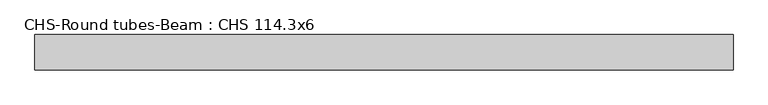
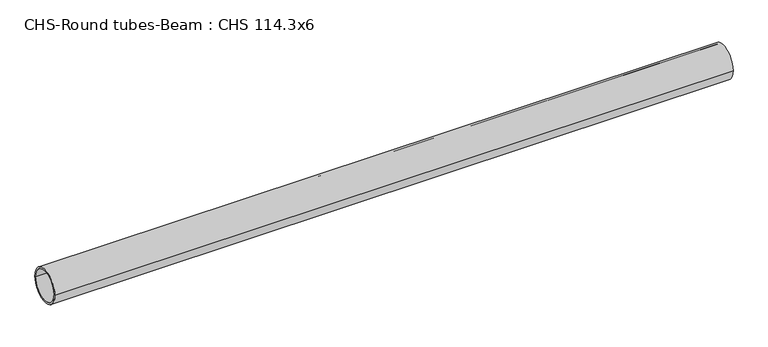
"""IFC4 building model written with IfcOpenShell, lengths in millimetres: beam geometry, CHS-Round tubes-Beam : CHS 114.3x6."""

import ifcopenshell
import ifcopenshell.guid

model = None  # the IFC model being written
_history = None  # IfcOwnerHistory: only IFC2X3 demands one
_inside = {}  # id of a spatial element -> (the spatial element, [elements in it])
_under = {}  # id of a project, library or spatial element -> (it, [spatial elements below it])
_declared = {}  # id of a project -> (the project, [libraries it declares])
_typed = {}  # id of a type object -> (the type object, [elements of that type])
_made_of = {}  # id of a material, layer set ... -> (it, [elements and type objects made of it])


def new_model(schema):
    """Start an empty IFC model of exactly this schema.

    Asked for "IFC4X3", IfcOpenShell would pick the latest addendum, in which some entities
    have other attributes; the version numbers below select the first issue.
    IFC2X3 requires an IfcOwnerHistory on every rooted entity: one is made here for all.
    """
    global model, _history
    if schema == "IFC4X3":
        model = ifcopenshell.file(schema_version=(4, 3, 0, 0))
    else:
        model = ifcopenshell.file(schema=schema)
    _inside.clear()
    _under.clear()
    _declared.clear()
    _typed.clear()
    _made_of.clear()
    _history = None
    if model.schema == "IFC2X3":
        org = make("IfcOrganization", Name="unknown")
        user = make(
            "IfcPersonAndOrganization",
            ThePerson=make("IfcPerson", FamilyName="unknown"),
            TheOrganization=org,
        )
        app = make(
            "IfcApplication",
            ApplicationDeveloper=org,
            Version="unknown",
            ApplicationFullName="unknown",
            ApplicationIdentifier="unknown",
        )
        _history = make(
            "IfcOwnerHistory",
            OwningUser=user,
            OwningApplication=app,
            ChangeAction="ADDED",
            CreationDate=0,
        )
    return model


def make(cls, **values):
    """One entity of the class cls with the attributes given. An attribute that is None is left unset."""
    return model.create_entity(
        cls, **{name: value for name, value in values.items() if value is not None}
    )


def rooted(cls, **values):
    """An entity with a GlobalId (a new one), such as an element, a storey or a relation."""
    return make(cls, GlobalId=ifcopenshell.guid.new(), OwnerHistory=_history, **values)


def si_unit(unit_type, name, prefix=None):
    """IfcSIUnit, for example si_unit("LENGTHUNIT", "METRE", prefix="MILLI")."""
    return make("IfcSIUnit", UnitType=unit_type, Prefix=prefix, Name=name)


def assignment(units):
    """IfcUnitAssignment: the units of a project."""
    return None if units is None else make("IfcUnitAssignment", Units=units)


def point(xyz):
    """IfcCartesianPoint."""
    return None if xyz is None else make("IfcCartesianPoint", Coordinates=xyz)


def direction(xyz):
    """IfcDirection."""
    return None if xyz is None else make("IfcDirection", DirectionRatios=xyz)


def frame(location, z_axis=None, x_axis=None):
    """IfcAxis2Placement3D, a coordinate frame: its origin and axes. An axis left out is left unset."""
    return make(
        "IfcAxis2Placement3D",
        Location=point(location),
        Axis=direction(z_axis),
        RefDirection=direction(x_axis),
    )


def frame_2d(location, x_axis=None):
    """IfcAxis2Placement2D, a coordinate frame in the plane: its origin and x axis."""
    return make(
        "IfcAxis2Placement2D", Location=point(location), RefDirection=direction(x_axis)
    )


def origin():
    """The frame at (0, 0, 0) with its axes left unset."""
    return frame((0.0, 0.0, 0.0))


def origin_2d():
    """The frame at (0, 0) in the plane with its x axis left unset."""
    return frame_2d((0.0, 0.0))


def place(relative_to, where):
    """IfcLocalPlacement: puts the frame where relative to a parent placement (None: the world)."""
    return make(
        "IfcLocalPlacement", PlacementRelTo=relative_to, RelativePlacement=where
    )


def context(
    kind, dimensions, precision=None, world=None, true_north=None, identifier=None
):
    """IfcGeometricRepresentationContext, for example the 3D "Model" context."""
    return make(
        "IfcGeometricRepresentationContext",
        ContextIdentifier=identifier,
        ContextType=kind,
        CoordinateSpaceDimension=dimensions,
        Precision=precision,
        WorldCoordinateSystem=world,
        TrueNorth=true_north,
    )


def project(units=None, contexts=None):
    """IfcProject with its units and contexts."""
    return rooted(
        "IfcProject",
        Name="project",
        RepresentationContexts=contexts,
        UnitsInContext=assignment(units),
    )


def spatial(cls, under=None, at=None, **own):
    """A site, building, storey or space (cls), placed at a placement, below another one or the project."""
    s = rooted(cls, ObjectPlacement=at, **own)
    if under is not None:
        _under.setdefault(under.id(), (under, []))[1].append(s)
    return s


def circle_curve(where, radius):
    """IfcCircle in the frame where."""
    return make("IfcCircle", Position=where, Radius=radius)


def trimmed(basis, trim1, trim2, sense, master):
    """IfcTrimmedCurve: the piece of a basis curve between two trims."""
    return make(
        "IfcTrimmedCurve",
        BasisCurve=basis,
        Trim1=trim1,
        Trim2=trim2,
        SenseAgreement=sense,
        MasterRepresentation=master,
    )


def segment(curve, same_sense, transition):
    """IfcCompositeCurveSegment."""
    return make(
        "IfcCompositeCurveSegment",
        Transition=transition,
        SameSense=same_sense,
        ParentCurve=curve,
    )


def composite_curve(segments, self_intersect=None):
    """IfcCompositeCurve: segments joined end to end."""
    return make("IfcCompositeCurve", Segments=segments, SelfIntersect=self_intersect)


def outline(outer, holes=None, kind="AREA"):
    """IfcArbitraryClosedProfileDef: a profile drawn as a closed curve; with holes, ...WithVoids."""
    if holes is None:
        return make("IfcArbitraryClosedProfileDef", ProfileType=kind, OuterCurve=outer)
    return make(
        "IfcArbitraryProfileDefWithVoids",
        ProfileType=kind,
        OuterCurve=outer,
        InnerCurves=holes,
    )


def extrude(swept, where, along, depth):
    """IfcExtrudedAreaSolid: the profile swept, set in the frame where, extruded along a direction by depth."""
    return make(
        "IfcExtrudedAreaSolid",
        SweptArea=swept,
        Position=where,
        ExtrudedDirection=direction(along),
        Depth=depth,
    )


def shape(context_of_items, identifier, shape_type, items):
    """IfcShapeRepresentation: the items that make up one representation, for example the "Body"."""
    return make(
        "IfcShapeRepresentation",
        ContextOfItems=context_of_items,
        RepresentationIdentifier=identifier,
        RepresentationType=shape_type,
        Items=items,
    )


def source(mapping_origin, context_of_items, identifier, shape_type, items):
    """IfcRepresentationMap: a shape defined once, which mapped items show again and again."""
    return make(
        "IfcRepresentationMap",
        MappingOrigin=mapping_origin,
        MappedRepresentation=shape(context_of_items, identifier, shape_type, items),
    )


def transform(
    local_origin,
    x_axis=None,
    y_axis=None,
    z_axis=None,
    scale=None,
    scale2=None,
    scale3=None,
    uniform=True,
):
    """IfcCartesianTransformationOperator3D, or its non-uniform kind. x_axis, y_axis, z_axis: its Axis1, 2, 3."""
    if uniform:
        return make(
            "IfcCartesianTransformationOperator3D",
            Axis1=direction(x_axis),
            Axis2=direction(y_axis),
            LocalOrigin=point(local_origin),
            Scale=scale,
            Axis3=direction(z_axis),
        )
    return make(
        "IfcCartesianTransformationOperator3DnonUniform",
        Axis1=direction(x_axis),
        Axis2=direction(y_axis),
        LocalOrigin=point(local_origin),
        Scale=scale,
        Axis3=direction(z_axis),
        Scale2=scale2,
        Scale3=scale3,
    )


def mapped(mapping_source, mapping_target):
    """IfcMappedItem: shows the shape of a source again, moved by a transform."""
    return make(
        "IfcMappedItem", MappingSource=mapping_source, MappingTarget=mapping_target
    )


def made_of(thing, what):
    """Note that an element or type object is made of a material, layer set ...; save() writes the relation."""
    if what is not None:
        _made_of.setdefault(what.id(), (what, []))[1].append(thing)
    return thing


def element(
    cls,
    number,
    at=None,
    inside=None,
    cuts=None,
    type_object=None,
    material=None,
    context=None,
    identifier="Body",
    shape_type=None,
    held_by="IfcProductDefinitionShape",
    body=None,
    shapes=None,
    **own,
):
    """One element of the class cls, such as IfcWall. Its Tag is "e" and its number.

    at: its placement. inside: the storey or other place that contains it. cuts: it is an
    opening in that element (IfcRelVoidsElement). A single representation is given by context,
    identifier, shape_type and body (its items); several are given by shapes. held_by: the class
    of the entity that holds the representations. save() writes the other relations.
    """
    e = rooted(cls, Tag="e%d" % number, ObjectPlacement=at, **own)
    if body is not None:
        shapes = [shape(context, identifier, shape_type, body)]
    if shapes is not None:
        e.Representation = make(held_by, Representations=shapes)
    if inside is not None:
        _inside.setdefault(inside.id(), (inside, []))[1].append(e)
    if cuts is not None:
        rooted(
            "IfcRelVoidsElement", RelatingBuildingElement=cuts, RelatedOpeningElement=e
        )
    if type_object is not None:
        _typed.setdefault(type_object.id(), (type_object, []))[1].append(e)
    return made_of(e, material)


def aggregate(whole, parts):
    """IfcRelAggregates: a whole, such as a stair, and the parts it consists of."""
    return rooted("IfcRelAggregates", RelatingObject=whole, RelatedObjects=parts)


def save(model, path):
    """Write the relations noted so far, then the file.

    IfcRelAggregates (storeys below a building ...), IfcRelContainedInSpatialStructure (elements
    in a storey), IfcRelDefinesByType, IfcRelAssociatesMaterial and IfcRelDeclares: one each for
    every whole, place, type object, material and project.
    """
    for whole, parts in _under.values():
        aggregate(whole, parts)
    for where, things in _inside.values():
        rooted(
            "IfcRelContainedInSpatialStructure",
            RelatedElements=things,
            RelatingStructure=where,
        )
    for kind, things in _typed.values():
        rooted("IfcRelDefinesByType", RelatedObjects=things, RelatingType=kind)
    for what, things in _made_of.values():
        rooted("IfcRelAssociatesMaterial", RelatedObjects=things, RelatingMaterial=what)
    for by, libraries in _declared.values():
        rooted("IfcRelDeclares", RelatingContext=by, RelatedDefinitions=libraries)
    model.write(path)


def chs_round_tubes_beam_chs_114_3x6_8615a969(model_context):
    return source(origin(), model_context, "Body", "SweptSolid", [
        extrude(outline(composite_curve([segment(trimmed(circle_curve(origin_2d(), 57.15), [point((57.15, 0.0))], [point((-57.15, 0.0))], False, "CARTESIAN"), True, "CONTINUOUS"), segment(trimmed(circle_curve(origin_2d(), 57.15), [point((-57.15, 0.0))], [point((57.15, 0.0))], False, "CARTESIAN"), True, "CONTINUOUS")], self_intersect=False), holes=[composite_curve([segment(trimmed(circle_curve(origin_2d(), 51.15), [point((51.15, 0.0))], [point((-51.15, 0.0))], True, "CARTESIAN"), True, "CONTINUOUS"), segment(trimmed(circle_curve(origin_2d(), 51.15), [point((-51.15, 0.0))], [point((51.15, 0.0))], True, "CARTESIAN"), True, "CONTINUOUS")], self_intersect=False)]), frame((-979.731062, 0.0, 0.0), z_axis=(1.0, 0.0, 0.0), x_axis=(0.0, 1.0, 0.0)), (0.0, 0.0, 1.0), 2259.0449209),
    ])


if __name__ == "__main__":
    model = new_model("IFC4")
    model_context = context("Model", 3, world=origin())
    ifc_project = project(units=[si_unit("LENGTHUNIT", "METRE", prefix="MILLI")], contexts=[model_context])
    site = spatial("IfcSite", under=ifc_project)
    building = spatial("IfcBuilding", under=site)
    placement = place(None, origin())
    chs_round_tubes_beam_chs_114_3x6_shape = chs_round_tubes_beam_chs_114_3x6_8615a969(model_context)
    element("IfcBeam", 1, ObjectType="CHS-Round tubes-Beam : CHS 114.3x6", at=placement, inside=building, context=model_context, shape_type="MappedRepresentation", body=[
        mapped(chs_round_tubes_beam_chs_114_3x6_shape, transform((0.0, 0.0, 0.0), x_axis=(1.0, 0.0, 0.0), y_axis=(0.0, 1.0, 0.0), z_axis=(0.0, 0.0, 1.0))),
    ])
    save(model, "model.ifc")
